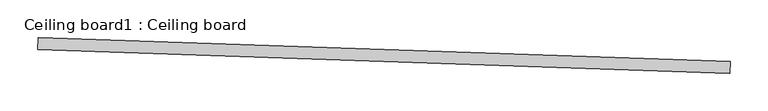
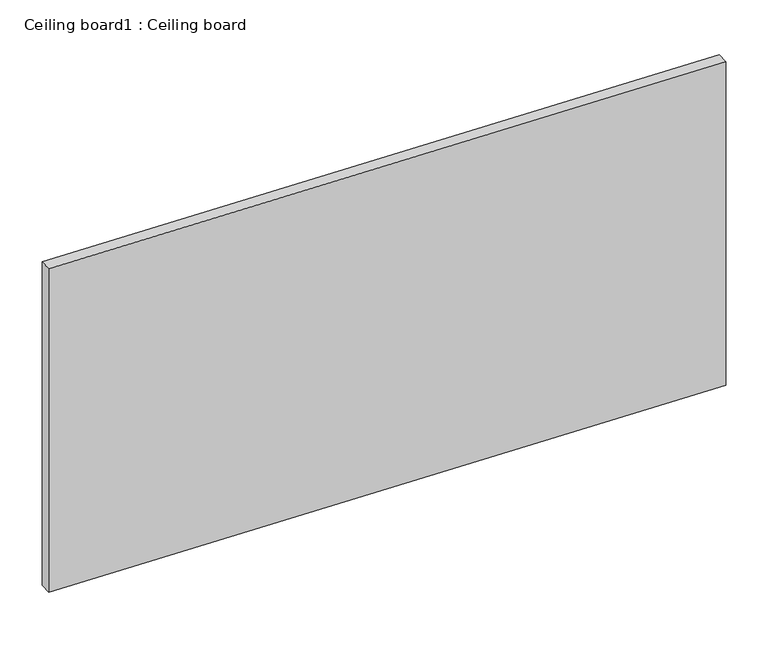
"""IFC4 building model written with IfcOpenShell, lengths in millimetres: proxy geometry, Ceiling board1 : Ceiling board."""

import ifcopenshell
import ifcopenshell.guid

model = None  # the IFC model being written
_history = None  # IfcOwnerHistory: only IFC2X3 demands one
_inside = {}  # id of a spatial element -> (the spatial element, [elements in it])
_under = {}  # id of a project, library or spatial element -> (it, [spatial elements below it])
_declared = {}  # id of a project -> (the project, [libraries it declares])
_typed = {}  # id of a type object -> (the type object, [elements of that type])
_made_of = {}  # id of a material, layer set ... -> (it, [elements and type objects made of it])


def new_model(schema):
    """Start an empty IFC model of exactly this schema.

    Asked for "IFC4X3", IfcOpenShell would pick the latest addendum, in which some entities
    have other attributes; the version numbers below select the first issue.
    IFC2X3 requires an IfcOwnerHistory on every rooted entity: one is made here for all.
    """
    global model, _history
    if schema == "IFC4X3":
        model = ifcopenshell.file(schema_version=(4, 3, 0, 0))
    else:
        model = ifcopenshell.file(schema=schema)
    _inside.clear()
    _under.clear()
    _declared.clear()
    _typed.clear()
    _made_of.clear()
    _history = None
    if model.schema == "IFC2X3":
        org = make("IfcOrganization", Name="unknown")
        user = make(
            "IfcPersonAndOrganization",
            ThePerson=make("IfcPerson", FamilyName="unknown"),
            TheOrganization=org,
        )
        app = make(
            "IfcApplication",
            ApplicationDeveloper=org,
            Version="unknown",
            ApplicationFullName="unknown",
            ApplicationIdentifier="unknown",
        )
        _history = make(
            "IfcOwnerHistory",
            OwningUser=user,
            OwningApplication=app,
            ChangeAction="ADDED",
            CreationDate=0,
        )
    return model


def make(cls, **values):
    """One entity of the class cls with the attributes given. An attribute that is None is left unset."""
    return model.create_entity(
        cls, **{name: value for name, value in values.items() if value is not None}
    )


def rooted(cls, **values):
    """An entity with a GlobalId (a new one), such as an element, a storey or a relation."""
    return make(cls, GlobalId=ifcopenshell.guid.new(), OwnerHistory=_history, **values)


def si_unit(unit_type, name, prefix=None):
    """IfcSIUnit, for example si_unit("LENGTHUNIT", "METRE", prefix="MILLI")."""
    return make("IfcSIUnit", UnitType=unit_type, Prefix=prefix, Name=name)


def assignment(units):
    """IfcUnitAssignment: the units of a project."""
    return None if units is None else make("IfcUnitAssignment", Units=units)


def point(xyz):
    """IfcCartesianPoint."""
    return None if xyz is None else make("IfcCartesianPoint", Coordinates=xyz)


def direction(xyz):
    """IfcDirection."""
    return None if xyz is None else make("IfcDirection", DirectionRatios=xyz)


def frame(location, z_axis=None, x_axis=None):
    """IfcAxis2Placement3D, a coordinate frame: its origin and axes. An axis left out is left unset."""
    return make(
        "IfcAxis2Placement3D",
        Location=point(location),
        Axis=direction(z_axis),
        RefDirection=direction(x_axis),
    )


def origin():
    """The frame at (0, 0, 0) with its axes left unset."""
    return frame((0.0, 0.0, 0.0))


def place(relative_to, where):
    """IfcLocalPlacement: puts the frame where relative to a parent placement (None: the world)."""
    return make(
        "IfcLocalPlacement", PlacementRelTo=relative_to, RelativePlacement=where
    )


def context(
    kind, dimensions, precision=None, world=None, true_north=None, identifier=None
):
    """IfcGeometricRepresentationContext, for example the 3D "Model" context."""
    return make(
        "IfcGeometricRepresentationContext",
        ContextIdentifier=identifier,
        ContextType=kind,
        CoordinateSpaceDimension=dimensions,
        Precision=precision,
        WorldCoordinateSystem=world,
        TrueNorth=true_north,
    )


def project(units=None, contexts=None):
    """IfcProject with its units and contexts."""
    return rooted(
        "IfcProject",
        Name="project",
        RepresentationContexts=contexts,
        UnitsInContext=assignment(units),
    )


def spatial(cls, under=None, at=None, **own):
    """A site, building, storey or space (cls), placed at a placement, below another one or the project."""
    s = rooted(cls, ObjectPlacement=at, **own)
    if under is not None:
        _under.setdefault(under.id(), (under, []))[1].append(s)
    return s


def polyline(points):
    """IfcPolyline through the points."""
    return make("IfcPolyline", Points=[point(p) for p in points])


def outline(outer, holes=None, kind="AREA"):
    """IfcArbitraryClosedProfileDef: a profile drawn as a closed curve; with holes, ...WithVoids."""
    if holes is None:
        return make("IfcArbitraryClosedProfileDef", ProfileType=kind, OuterCurve=outer)
    return make(
        "IfcArbitraryProfileDefWithVoids",
        ProfileType=kind,
        OuterCurve=outer,
        InnerCurves=holes,
    )


def extrude(swept, where, along, depth):
    """IfcExtrudedAreaSolid: the profile swept, set in the frame where, extruded along a direction by depth."""
    return make(
        "IfcExtrudedAreaSolid",
        SweptArea=swept,
        Position=where,
        ExtrudedDirection=direction(along),
        Depth=depth,
    )


def shape(context_of_items, identifier, shape_type, items):
    """IfcShapeRepresentation: the items that make up one representation, for example the "Body"."""
    return make(
        "IfcShapeRepresentation",
        ContextOfItems=context_of_items,
        RepresentationIdentifier=identifier,
        RepresentationType=shape_type,
        Items=items,
    )


def source(mapping_origin, context_of_items, identifier, shape_type, items):
    """IfcRepresentationMap: a shape defined once, which mapped items show again and again."""
    return make(
        "IfcRepresentationMap",
        MappingOrigin=mapping_origin,
        MappedRepresentation=shape(context_of_items, identifier, shape_type, items),
    )


def transform(
    local_origin,
    x_axis=None,
    y_axis=None,
    z_axis=None,
    scale=None,
    scale2=None,
    scale3=None,
    uniform=True,
):
    """IfcCartesianTransformationOperator3D, or its non-uniform kind. x_axis, y_axis, z_axis: its Axis1, 2, 3."""
    if uniform:
        return make(
            "IfcCartesianTransformationOperator3D",
            Axis1=direction(x_axis),
            Axis2=direction(y_axis),
            LocalOrigin=point(local_origin),
            Scale=scale,
            Axis3=direction(z_axis),
        )
    return make(
        "IfcCartesianTransformationOperator3DnonUniform",
        Axis1=direction(x_axis),
        Axis2=direction(y_axis),
        LocalOrigin=point(local_origin),
        Scale=scale,
        Axis3=direction(z_axis),
        Scale2=scale2,
        Scale3=scale3,
    )


def mapped(mapping_source, mapping_target):
    """IfcMappedItem: shows the shape of a source again, moved by a transform."""
    return make(
        "IfcMappedItem", MappingSource=mapping_source, MappingTarget=mapping_target
    )


def made_of(thing, what):
    """Note that an element or type object is made of a material, layer set ...; save() writes the relation."""
    if what is not None:
        _made_of.setdefault(what.id(), (what, []))[1].append(thing)
    return thing


def element(
    cls,
    number,
    at=None,
    inside=None,
    cuts=None,
    type_object=None,
    material=None,
    context=None,
    identifier="Body",
    shape_type=None,
    held_by="IfcProductDefinitionShape",
    body=None,
    shapes=None,
    **own,
):
    """One element of the class cls, such as IfcWall. Its Tag is "e" and its number.

    at: its placement. inside: the storey or other place that contains it. cuts: it is an
    opening in that element (IfcRelVoidsElement). A single representation is given by context,
    identifier, shape_type and body (its items); several are given by shapes. held_by: the class
    of the entity that holds the representations. save() writes the other relations.
    """
    e = rooted(cls, Tag="e%d" % number, ObjectPlacement=at, **own)
    if body is not None:
        shapes = [shape(context, identifier, shape_type, body)]
    if shapes is not None:
        e.Representation = make(held_by, Representations=shapes)
    if inside is not None:
        _inside.setdefault(inside.id(), (inside, []))[1].append(e)
    if cuts is not None:
        rooted(
            "IfcRelVoidsElement", RelatingBuildingElement=cuts, RelatedOpeningElement=e
        )
    if type_object is not None:
        _typed.setdefault(type_object.id(), (type_object, []))[1].append(e)
    return made_of(e, material)


def aggregate(whole, parts):
    """IfcRelAggregates: a whole, such as a stair, and the parts it consists of."""
    return rooted("IfcRelAggregates", RelatingObject=whole, RelatedObjects=parts)


def save(model, path):
    """Write the relations noted so far, then the file.

    IfcRelAggregates (storeys below a building ...), IfcRelContainedInSpatialStructure (elements
    in a storey), IfcRelDefinesByType, IfcRelAssociatesMaterial and IfcRelDeclares: one each for
    every whole, place, type object, material and project.
    """
    for whole, parts in _under.values():
        aggregate(whole, parts)
    for where, things in _inside.values():
        rooted(
            "IfcRelContainedInSpatialStructure",
            RelatedElements=things,
            RelatingStructure=where,
        )
    for kind, things in _typed.values():
        rooted("IfcRelDefinesByType", RelatedObjects=things, RelatingType=kind)
    for what, things in _made_of.values():
        rooted("IfcRelAssociatesMaterial", RelatedObjects=things, RelatingMaterial=what)
    for by, libraries in _declared.values():
        rooted("IfcRelDeclares", RelatingContext=by, RelatedDefinitions=libraries)
    model.write(path)


def ceiling_board1_ceiling_board_f0812b1d(model_context):
    return source(origin(), model_context, "Body", "SweptSolid", [
        extrude(outline(polyline([(0.0, -15.875), (0.0, 0.0), (914.4, 0.0), (914.4, -15.875), (0.0, -15.875)])), frame((34344.3076886, -15770.5092423, 2742.40625), z_axis=(-8.91735760598524e-11, 2.983428552442978e-12, 1.0), x_axis=(-0.9994149479166324, 0.03420178183654897, -8.922344344587283e-11)), (0.0, 0.0, 1.0), 470.69375),
    ])


if __name__ == "__main__":
    model = new_model("IFC4")
    model_context = context("Model", 3, world=origin())
    ifc_project = project(units=[si_unit("LENGTHUNIT", "METRE", prefix="MILLI")], contexts=[model_context])
    site = spatial("IfcSite", under=ifc_project)
    building = spatial("IfcBuilding", under=site)
    placement = place(None, origin())
    ceiling_board1_ceiling_board_shape = ceiling_board1_ceiling_board_f0812b1d(model_context)
    element("IfcBuildingElementProxy", 1, Name="Ceiling board1 : Ceiling board", ObjectType="Ceiling board1 : Ceiling board", at=placement, inside=building, context=model_context, shape_type="MappedRepresentation", body=[
        mapped(ceiling_board1_ceiling_board_shape, transform((0.0, 0.0, 0.0), x_axis=(1.0, 0.0, 0.0), y_axis=(0.0, 1.0, 0.0), z_axis=(0.0, 0.0, 1.0))),
    ])
    save(model, "model.ifc")
